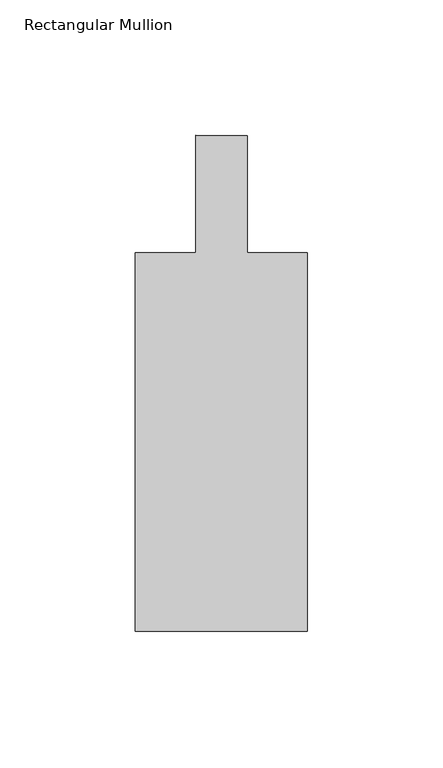
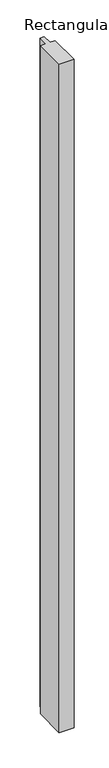
"""IFC4 building model written with IfcOpenShell, lengths in millimetres: member geometry, Rectangular Mullion."""

from ifc_helpers import new_model, si_unit, frame, origin, place, context, project, spatial, polyline, outline, extrude, source, transform, mapped, element, save


def rectangular_mullion_53bd7442(model_context):
    return source(origin(), model_context, "Body", "SweptSolid", [
        extrude(outline(polyline([(-63.5, 69.8499975), (-41.2751132, 69.8499975), (-41.2751132, 113.2522646), (-22.2248868, 113.1649552), (-22.2248868, 69.8499975), (0.0, 69.8499975), (0.0, -69.8499975), (-63.5, -69.8499975), (-63.5, 69.8499975)])), frame((0.0, 0.0, -3048.0), z_axis=(0.0, 0.0, 1.0), x_axis=(1.0, 0.0, 0.0)), (0.0, 0.0, 1.0), 3048.0),
    ])


if __name__ == "__main__":
    model = new_model("IFC4")
    model_context = context("Model", 3, world=origin())
    ifc_project = project(units=[si_unit("LENGTHUNIT", "METRE", prefix="MILLI")], contexts=[model_context])
    site = spatial("IfcSite", under=ifc_project)
    building = spatial("IfcBuilding", under=site)
    placement = place(None, origin())
    rectangular_mullion_shape = rectangular_mullion_53bd7442(model_context)
    element("IfcMember", 1, ObjectType="Rectangular Mullion", at=placement, inside=building, context=model_context, shape_type="MappedRepresentation", body=[
        mapped(rectangular_mullion_shape, transform((0.0, 0.0, 0.0), x_axis=(1.0, 0.0, 0.0), y_axis=(0.0, 1.0, 0.0), z_axis=(0.0, 0.0, 1.0))),
    ])
    save(model, "model.ifc")
